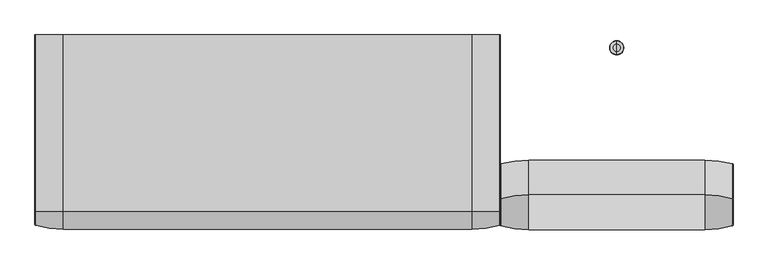
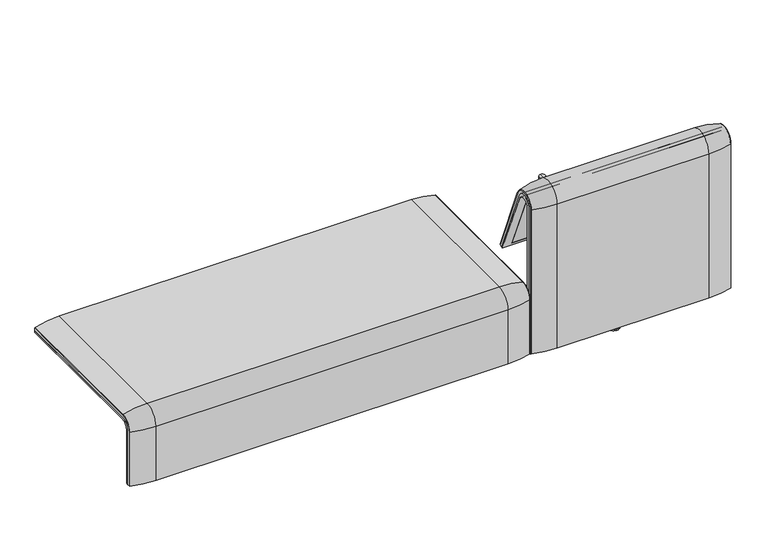
"""IFC4 building model written with IfcOpenShell, lengths in millimetres: furniture geometry."""

from ifc_helpers import new_model, si_unit, point, frame, frame_2d, origin, place, context, project, spatial, polyline, circle_curve, ellipse_curve, trimmed, segment, composite_curve, outline, extrude, source, transform, mapped, element, save
from ifc_brep_helpers import plane_surface, cylinder_surface, revolved_surface, advanced_brep


def furniture_2ecc197a(model_context):
    return source(origin(), model_context, "Body", "SolidModel", [
        advanced_brep(
        [(1224.0215056, -351.0000061, 101.8476716), (1224.0215056, -351.0000061, 712.9272623), (1224.0215056, -296.2720241, 723.9759107), (1224.0215056, -175.0204081, 435.9866665), (1224.0215056, -170.1966807, 437.98305), (1224.0215056, -292.4403877, 733.7122262), (1224.0215056, -359.7858817, 720.3417731), (1224.0215056, -359.7858817, 101.8476716), (408.0402568, -351.0000061, 101.8476716), (408.0402568, -359.7858817, 101.8476716), (408.0402568, -359.7858817, 720.3417731), (408.0402568, -292.4403877, 733.7122262), (408.0402568, -170.1966807, 437.98305), (408.0402568, -175.0204081, 435.9866665), (408.0402568, -296.2458652, 723.9869215), (408.0402568, -351.0000061, 712.9272623), (442.9237127, -292.4403877, 733.7122262), (442.9237127, -176.0980387, 452.25948), (1189.1049615, -176.0980387, 452.25948), (1189.1049615, -292.4403877, 733.7122262), (1189.1049615, -296.2458652, 723.9869215), (1189.1049615, -181.0136548, 450.2250668), (442.9237127, -181.0136548, 450.2250668), (442.9237127, -296.2458652, 723.9869215), (442.9237127, -351.0000061, 712.9272623), (442.9237127, -351.0000061, 135.3766997), (1189.1049615, -351.0000061, 135.3766997), (1189.1049615, -351.0000061, 712.9272623), (1189.1049615, -359.7858817, 720.3417731), (1189.1049615, -359.7858817, 135.3766997), (442.9237127, -359.7858817, 135.3766997), (442.9237127, -359.7858817, 720.3417731)],
        [
            (0, 1),
            (1, 2, circle_curve(frame((1224.0215056, -322.520748, 712.9272623), z_axis=(-1.0, 0.0, 0.0), x_axis=(0.0, 1.0, 0.0)), 28.479258)),
            (2, 3),
            (3, 4),
            (4, 5),
            (5, 6, circle_curve(frame((1224.0215056, -324.7858817, 720.3417731), z_axis=(1.0, 0.0, 0.0), x_axis=(0.0, 1.0, 0.0)), 35.0)),
            (6, 7),
            (7, 0),
            (8, 9),
            (9, 10),
            (10, 11, circle_curve(frame((408.0402568, -324.7858817, 720.3417731), z_axis=(-1.0, 0.0, 0.0), x_axis=(0.0, 1.0, 0.0)), 35.0)),
            (11, 12),
            (12, 13),
            (13, 14),
            (14, 15, circle_curve(frame((408.0402568, -322.520748, 712.9272623), z_axis=(1.0, 0.0, 0.0), x_axis=(0.0, 1.0, 0.0)), 28.479258)),
            (15, 8),
            (4, 12),
            (11, 16),
            (16, 17),
            (17, 18),
            (18, 19),
            (19, 5),
            (3, 13),
            (2, 20),
            (20, 21),
            (21, 22),
            (22, 23),
            (23, 14),
            (0, 8),
            (15, 24),
            (24, 25),
            (25, 26),
            (26, 27),
            (27, 1),
            (7, 9),
            (6, 28),
            (28, 29),
            (29, 30),
            (30, 31),
            (31, 10),
            (19, 28, circle_curve(frame((1189.1049615, -324.7858817, 720.3417731), z_axis=(1.0, 0.0, 0.0), x_axis=(0.0, 1.0, 0.0)), 35.0)),
            (31, 16, circle_curve(frame((442.9237127, -324.7858817, 720.3417731), z_axis=(-1.0, 0.0, 0.0), x_axis=(0.0, 1.0, 0.0)), 35.0)),
            (27, 20, circle_curve(frame((1189.1049615, -322.520748, 712.9272623), z_axis=(-1.0, 0.0, 0.0), x_axis=(0.0, 1.0, 0.0)), 28.479258)),
            (23, 24, circle_curve(frame((442.9237127, -322.520748, 712.9272623), z_axis=(1.0, 0.0, 0.0), x_axis=(0.0, 1.0, 0.0)), 28.479258)),
            (26, 29),
            (18, 21),
            (22, 17),
            (30, 25),
        ],
        [
            plane_surface(frame((1224.0215056, -359.7858817, 101.8476716), z_axis=(1.0, 0.0, 0.0), x_axis=(0.0, -1.0, 0.0))),
            plane_surface(frame((408.0402568, -359.7858817, 101.8476716), z_axis=(-1.0, 0.0, 0.0), x_axis=(0.0, 1.0, 0.0))),
            plane_surface(frame((1224.0215056, -292.4403877, 733.7122262), z_axis=(0.0, 0.9241569717933176, 0.3820129467515535), x_axis=(-1.0, 0.0, 0.0))),
            plane_surface(frame((1224.0215056, -170.1966807, 437.98305), z_axis=(0.0, 0.38241039441983893, -0.9239925812687368), x_axis=(-1.0, 0.0, 0.0))),
            plane_surface(frame((1224.0215056, -175.0204081, 435.9866665), z_axis=(0.0, -0.921678643444566, -0.3879542218073993), x_axis=(-1.0, 0.0, 0.0))),
            plane_surface(frame((1224.0215056, -351.0000061, 712.9272623), z_axis=(0.0, 1.0, 0.0), x_axis=(-1.0, 0.0, 0.0))),
            plane_surface(frame((1224.0215056, -351.0000061, 101.8476716), z_axis=(0.0, 0.0, -1.0), x_axis=(-1.0, 0.0, 0.0))),
            plane_surface(frame((1224.0215056, -359.7858817, 101.8476716), z_axis=(0.0, -1.0, 0.0), x_axis=(-1.0, 0.0, 0.0))),
            cylinder_surface(frame((408.0402568, -324.7858817, 720.3417731), z_axis=(1.0, 0.0, 0.0), x_axis=(0.0, 1.0, 0.0)), 35.0),
            revolved_surface(polyline([(1189.1049615, -294.04149, 712.9272623), (1224.0215056, -294.04149, 712.9272623)]), (408.0402568, -322.520748, 712.9272623), (-1.0, 0.0, 0.0)),
            revolved_surface(polyline([(408.0402568, -294.04149, 712.9272623), (442.9237127, -294.04149, 712.9272623)]), (408.0402568, -322.520748, 712.9272623), (-1.0, 0.0, 0.0)),
            plane_surface(frame((1189.1049615, -359.7858817, 135.3766997), z_axis=(-1.0, 0.0, 0.0), x_axis=(0.0, -1.0, 0.0))),
            plane_surface(frame((442.9237127, -359.7858817, 135.3766997), z_axis=(1.0, 0.0, 0.0), x_axis=(0.0, 1.0, 0.0))),
            plane_surface(frame((1189.1049615, -166.9120641, 456.0612553), z_axis=(0.0, -0.38241039441982605, 0.9239925812687422), x_axis=(-1.0, 0.0, 0.0))),
            plane_surface(frame((1189.1049615, -344.7858817, 135.3766997), z_axis=(0.0, 0.0, 1.0), x_axis=(-1.0, 0.0, 0.0))),
        ],
        [
            (0, [[1, 2, 3, 4, 5, 6, 7, 8]]),
            (1, [[9, 10, 11, 12, 13, 14, 15, 16]]),
            (2, [[17, -12, 18, 19, 20, 21, 22, -5]]),
            (3, [[23, -13, -17, -4]]),
            (4, [[24, 25, 26, 27, 28, -14, -23, -3]]),
            (5, [[29, -16, 30, 31, 32, 33, 34, -1]]),
            (6, [[35, -9, -29, -8]]),
            (7, [[36, 37, 38, 39, 40, -10, -35, -7]]),
            (8, [[-22, 41, -36, -6]]),
            (8, [[-40, 42, -18, -11]]),
            (9, [[-34, 43, -24, -2]]),
            (10, [[-28, 44, -30, -15]]),
            (11, [[-25, -43, -33, 45, -37, -41, -21, 46]]),
            (12, [[-31, -44, -27, 47, -19, -42, -39, 48]]),
            (13, [[-20, -47, -26, -46]]),
            (14, [[-32, -48, -38, -45]]),
        ],
    ),
        advanced_brep(
        [(1189.1049615, -351.0000061, 135.3766997), (1189.1049615, -351.0000061, 712.9272623), (1189.1049615, -296.2720241, 723.9759107), (1189.1049615, -181.0136548, 450.2250668), (1189.1049615, -176.0980387, 452.25948), (1189.1049615, -292.4403877, 733.7122262), (1189.1049615, -359.7858817, 720.3417731), (1189.1049615, -359.7858817, 135.3766997), (442.9237127, -351.0000061, 135.3766997), (442.9237127, -359.7858817, 135.3766997), (442.9237127, -359.7858817, 720.3417731), (442.9237127, -292.4403877, 733.7122262), (442.9237127, -176.0980387, 452.25948), (442.9237127, -181.0136548, 450.2250668), (442.9237127, -296.2458652, 723.9869215), (442.9237127, -351.0000061, 712.9272623)],
        [
            (0, 1),
            (1, 2, circle_curve(frame((1189.1049615, -322.520748, 712.9272623), z_axis=(-1.0, 0.0, 0.0), x_axis=(0.0, 1.0, 0.0)), 28.479258)),
            (2, 3),
            (3, 4),
            (4, 5),
            (5, 6, circle_curve(frame((1189.1049615, -324.7858817, 720.3417731), z_axis=(1.0, 0.0, 0.0), x_axis=(0.0, 1.0, 0.0)), 35.0)),
            (6, 7),
            (7, 0),
            (8, 9),
            (9, 10),
            (10, 11, circle_curve(frame((442.9237127, -324.7858817, 720.3417731), z_axis=(-1.0, 0.0, 0.0), x_axis=(0.0, 1.0, 0.0)), 35.0)),
            (11, 12),
            (12, 13),
            (13, 14),
            (14, 15, circle_curve(frame((442.9237127, -322.520748, 712.9272623), z_axis=(1.0, 0.0, 0.0), x_axis=(0.0, 1.0, 0.0)), 28.479258)),
            (15, 8),
            (4, 12),
            (11, 5),
            (3, 13),
            (2, 14),
            (0, 8),
            (15, 1),
            (7, 9),
            (6, 10),
        ],
        [
            plane_surface(frame((1189.1049615, -359.7858817, 135.3766997), z_axis=(1.0, 0.0, 0.0), x_axis=(0.0, -1.0, 0.0))),
            plane_surface(frame((442.9237127, -359.7858817, 135.3766997), z_axis=(-1.0, 0.0, 0.0), x_axis=(0.0, 1.0, 0.0))),
            plane_surface(frame((1189.1049615, -292.4403877, 733.7122262), z_axis=(0.0, 0.9241569717933176, 0.3820129467515535), x_axis=(-1.0, 0.0, 0.0))),
            plane_surface(frame((1189.1049615, -176.0980387, 452.25948), z_axis=(0.0, 0.38241039441982716, -0.9239925812687417), x_axis=(-1.0, 0.0, 0.0))),
            plane_surface(frame((1189.1049615, -181.0136548, 450.2250668), z_axis=(0.0, -0.921678643444566, -0.3879542218073993), x_axis=(-1.0, 0.0, 0.0))),
            plane_surface(frame((1189.1049615, -351.0000061, 712.9272623), z_axis=(0.0, 1.0, 0.0), x_axis=(-1.0, 0.0, 0.0))),
            plane_surface(frame((1189.1049615, -351.0000061, 135.3766997), z_axis=(0.0, 0.0, -1.0), x_axis=(-1.0, 0.0, 0.0))),
            plane_surface(frame((1189.1049615, -359.7858817, 135.3766997), z_axis=(0.0, -1.0, 0.0), x_axis=(-1.0, 0.0, 0.0))),
            cylinder_surface(frame((442.9237127, -324.7858817, 720.3417731), z_axis=(1.0, 0.0, 0.0), x_axis=(0.0, 1.0, 0.0)), 35.0),
            revolved_surface(polyline([(442.9237127, -294.04149, 712.9272623), (1189.1049615, -294.04149, 712.9272623)]), (442.9237127, -322.520748, 712.9272623), (-1.0, 0.0, 0.0)),
        ],
        [
            (0, [[1, 2, 3, 4, 5, 6, 7, 8]]),
            (1, [[9, 10, 11, 12, 13, 14, 15, 16]]),
            (2, [[17, -12, 18, -5]]),
            (3, [[19, -13, -17, -4]]),
            (4, [[20, -14, -19, -3]]),
            (5, [[21, -16, 22, -1]]),
            (6, [[23, -9, -21, -8]]),
            (7, [[24, -10, -23, -7]]),
            (8, [[-18, -11, -24, -6]]),
            (9, [[-22, -15, -20, -2]]),
        ],
    ),
        extrude(outline(composite_curve([segment(polyline([(-305.0000061, 349.9223263), (-285.0000061, 349.9223263)]), True, "CONTINUOUS"), segment(trimmed(circle_curve(frame_2d((-285.0000061, 359.9223263)), 10.0), [point((-285.0000061, 349.9223263))], [point((-275.0000061, 359.9223263))], True, "CARTESIAN"), True, "CONTINUOUS"), segment(polyline([(-275.0000061, 359.9223263), (-270.0000061, 359.9223263), (-270.0000061, 299.9223263), (-309.4476, 299.9223263)]), True, "CONTINUOUS"), segment(trimmed(circle_curve(frame_2d((-309.4476, 269.9223263)), 30.0), [point((-309.4476, 299.9223263))], [point((-339.4064861, 271.492405))], True, "CARTESIAN"), True, "CONTINUOUS"), segment(polyline([(-339.4064861, 271.492405), (-343.3075759, 197.0551771), (-351.0000061, 197.0551771), (-351.0000061, 712.9272623)]), True, "CONTINUOUS"), segment(trimmed(circle_curve(frame_2d((-322.520748, 712.9272623)), 28.479258), [point((-351.0000061, 712.9272623))], [point((-296.3054528, 724.0549949))], False, "CARTESIAN"), True, "CONTINUOUS"), segment(polyline([(-296.3054528, 724.0549949), (-213.7507451, 529.5682915), (-222.2725218, 526.5505721), (-238.0355877, 560.3545758)]), True, "CONTINUOUS"), segment(trimmed(circle_curve(frame_2d((-251.6302045, 554.0153019)), 15.0), [point((-238.0355877, 560.3545758))], [point((-257.4911714, 567.8228747))], True, "CARTESIAN"), True, "CONTINUOUS"), segment(polyline([(-257.4911714, 567.8228747), (-316.7219399, 542.6809051)]), True, "CONTINUOUS"), segment(trimmed(circle_curve(frame_2d((-305.0000061, 515.0657595)), 30.0), [point((-316.7219399, 542.6809051))], [point((-335.0000061, 515.0657595))], True, "CARTESIAN"), True, "CONTINUOUS"), segment(polyline([(-335.0000061, 515.0657595), (-335.0000061, 379.9223263)]), True, "CONTINUOUS"), segment(trimmed(circle_curve(frame_2d((-305.0000061, 379.9223263)), 30.0), [point((-335.0000061, 379.9223263))], [point((-305.0000061, 349.9223263))], True, "CARTESIAN"), True, "CONTINUOUS")], self_intersect=False), holes=[composite_curve([segment(trimmed(circle_curve(frame_2d((-319.9867182, 576.3274105)), 17.5132879), [point((-337.5000061, 576.3274105))], [point((-314.1406626, 559.8186587))], True, "CARTESIAN"), True, "CONTINUOUS"), segment(polyline([(-314.1406626, 559.8186587), (-265.0756376, 577.1934953)]), True, "CONTINUOUS"), segment(trimmed(circle_curve(frame_2d((-271.7517748, 596.0463251)), 20.0), [point((-265.0756376, 577.1934953))], [point((-253.6256191, 604.4986904))], True, "CARTESIAN"), True, "CONTINUOUS"), segment(polyline([(-253.6256191, 604.4986904), (-308.9053893, 723.0465402)]), True, "CONTINUOUS"), segment(trimmed(circle_curve(frame_2d((-322.5000061, 716.7072663)), 15.0), [point((-308.9053893, 723.0465402))], [point((-337.5000061, 716.7072663))], True, "CARTESIAN"), True, "CONTINUOUS"), segment(polyline([(-337.5000061, 716.7072663), (-337.5000061, 576.3274105)]), True, "CONTINUOUS")], self_intersect=False)]), frame((1061.0091339, 0.0, 0.0), z_axis=(1.0, 0.0, 0.0), x_axis=(0.0, 1.0, 0.0)), (0.0, 0.0, 1.0), 40.0),
        advanced_brep(
        [(1124.0215056, -388.2902376, 100.5089435), (508.0071685, -388.2902376, 100.5089435), (410.1457971, -373.93893, 100.5089435), (408.0071685, -371.0652495, 100.5089435), (408.0071685, -359.7858817, 100.5089435), (1224.0215056, -359.7858817, 100.5089435), (1224.0215056, -371.0652495, 100.5089435), (1221.8828771, -373.93893, 100.5089435), (1124.0215056, -388.2902376, 720.3417731), (508.0071685, -388.2902376, 720.3417731), (1221.8828771, -373.93893, 720.3417731), (1224.0215056, -371.0652495, 720.3417731), (1224.0215056, -359.7858817, 720.3417731), (1224.0215056, -292.4403877, 733.7122262), (1224.0215056, -170.1962447, 437.9819952), (1224.0215056, -159.7723383, 442.2908598), (1224.0215056, -282.0164812, 738.0210907), (408.0071685, -359.7858817, 720.3417731), (1124.0215056, -143.8537454, 448.8710282), (1221.8828771, -157.1166065, 443.3886429), (408.0071685, -170.1962447, 437.9819952), (408.0071685, -159.7723383, 442.2908598), (410.1457971, -157.1166065, 443.3886429), (508.0071685, -143.8537454, 448.8710282), (1124.0215056, -266.0978884, 744.6012592), (508.0071685, -266.0978884, 744.6012592), (1221.8828771, -279.3607494, 739.1188739), (408.0071685, -292.4403877, 733.7122262), (408.0071685, -371.0652495, 720.3417731), (408.0071685, -282.0164812, 738.0210907), (410.1457971, -373.93893, 720.3417731), (410.1457971, -279.3607494, 739.1188739)],
        [
            (0, 1),
            (1, 2, circle_curve(frame((508.0071685, -47.4569043, 100.5089435), z_axis=(0.0, 0.0, -1.0), x_axis=(0.0, 1.0, 0.0)), 340.8333333)),
            (2, 3, circle_curve(frame((411.0071685, -371.0652495, 100.5089435), z_axis=(0.0, 0.0, -1.0), x_axis=(-1.0, 0.0, 0.0)), 3.0)),
            (3, 4),
            (4, 5),
            (5, 6),
            (6, 7, circle_curve(frame((1221.0215056, -371.0652495, 100.5089435), z_axis=(0.0, 0.0, -1.0), x_axis=(1.0, 0.0, 0.0)), 3.0)),
            (7, 0, circle_curve(frame((1124.0215056, -47.4569043, 100.5089435), z_axis=(0.0, 0.0, -1.0), x_axis=(0.0, 1.0, 0.0)), 340.8333333)),
            (0, 8),
            (8, 9),
            (9, 1),
            (7, 10),
            (10, 8, circle_curve(frame((1124.0215056, -47.4569043, 720.3417731), z_axis=(0.0, 0.0, -1.0), x_axis=(0.0, 1.0, 0.0)), 340.8333333)),
            (6, 11),
            (11, 10, circle_curve(frame((1221.0215056, -371.0652495, 720.3417731), z_axis=(0.0, 0.0, -1.0), x_axis=(1.0, 0.0, 0.0)), 3.0)),
            (5, 12),
            (12, 13, circle_curve(frame((1224.0215056, -324.7858817, 720.3417731), z_axis=(-1.0, 0.0, 0.0), x_axis=(0.0, -1.0, 0.0)), 35.0)),
            (13, 14),
            (14, 15),
            (15, 16),
            (16, 11, circle_curve(frame((1224.0215056, -324.7858817, 720.3417731), z_axis=(1.0, 0.0, 0.0), x_axis=(0.0, -1.0, 0.0)), 46.2793679)),
            (4, 17),
            (17, 12),
            (18, 19, circle_curve(frame((1124.0215056, -458.8372467, 318.6682822), z_axis=(0.0, 0.38201294675155345, -0.9241569717933176), x_axis=(0.0, -0.9241569717933176, -0.38201294675155345)), 340.8333333)),
            (19, 15, circle_curve(frame((1221.0215056, -159.7723383, 442.2908598), z_axis=(0.0, 0.38201294675155345, -0.9241569717933176), x_axis=(1.0, 0.0, 0.0)), 3.0)),
            (14, 20),
            (20, 21),
            (21, 22, circle_curve(frame((411.0071685, -159.7723383, 442.2908598), z_axis=(0.0, 0.38201294675155345, -0.9241569717933176), x_axis=(-1.0, 0.0, 0.0)), 3.0)),
            (22, 23, circle_curve(frame((508.0071685, -458.8372467, 318.6682822), z_axis=(0.0, 0.38201294675155345, -0.9241569717933176), x_axis=(0.0, -0.9241569717933176, -0.38201294675155345)), 340.8333333)),
            (23, 18),
            (24, 25),
            (25, 9, circle_curve(frame((508.0071685, -324.7858817, 720.3417731), z_axis=(1.0, 0.0, 0.0), x_axis=(0.0, -1.0, 0.0)), 63.5043559)),
            (8, 24, circle_curve(frame((1124.0215056, -324.7858817, 720.3417731), z_axis=(-1.0, 0.0, 0.0), x_axis=(0.0, -1.0, 0.0)), 63.5043559)),
            (26, 24, circle_curve(frame((1124.0215056, -581.0813896, 614.3985132), z_axis=(0.0, -0.3820129467515544, 0.9241569717933172), x_axis=(0.0, -0.9241569717933172, -0.3820129467515544)), 340.8333333)),
            (10, 26, circle_curve(frame((1221.8828771, -324.7858817, 720.3417731), z_axis=(-1.0, 0.0, 0.0), x_axis=(0.0, -1.0, 0.0)), 49.1530483)),
            (16, 26, circle_curve(frame((1221.0215056, -282.0164812, 738.0210907), z_axis=(0.0, -0.38201294675155356, 0.9241569717933176), x_axis=(1.0, 0.0, 0.0)), 3.0)),
            (27, 13),
            (17, 27, circle_curve(frame((408.0071685, -324.7858817, 720.3417731), z_axis=(-1.0, 0.0, 0.0), x_axis=(0.0, -1.0, 0.0)), 35.0)),
            (24, 18),
            (23, 25),
            (26, 19),
            (27, 20),
            (3, 28),
            (28, 29, circle_curve(frame((408.0071685, -324.7858817, 720.3417731), z_axis=(-1.0, 0.0, 0.0), x_axis=(0.0, -1.0, 0.0)), 46.2793679)),
            (29, 21),
            (2, 30),
            (30, 28, circle_curve(frame((411.0071685, -371.0652495, 720.3417731), z_axis=(0.0, 0.0, -1.0), x_axis=(-1.0, 0.0, 0.0)), 3.0)),
            (9, 30, circle_curve(frame((508.0071685, -47.4569043, 720.3417731), z_axis=(0.0, 0.0, -1.0), x_axis=(0.0, 1.0, 0.0)), 340.8333333)),
            (31, 29, circle_curve(frame((411.0071685, -282.0164812, 738.0210907), z_axis=(0.0, -0.3820129467515556, 0.9241569717933167), x_axis=(-1.0, 0.0, 0.0)), 3.0)),
            (30, 31, circle_curve(frame((410.1457971, -324.7858817, 720.3417731), z_axis=(-1.0, 0.0, 0.0), x_axis=(0.0, -1.0, 0.0)), 49.1530483)),
            (25, 31, circle_curve(frame((508.0071685, -581.0813896, 614.3985132), z_axis=(0.0, -0.382012946751556, 0.9241569717933165), x_axis=(0.0, -0.9241569717933165, -0.382012946751556)), 340.8333333)),
            (31, 22),
        ],
        [
            plane_surface(frame((820.7793603, -359.7858817, 100.5089435), z_axis=(0.0, 0.0, -1.0), x_axis=(1.0, 0.0, 0.0))),
            plane_surface(frame((508.0071685, -388.2902376, 100.5089435), z_axis=(0.0, -1.0, 0.0), x_axis=(0.0, 0.0, 1.0))),
            cylinder_surface(frame((1124.0215056, -47.4569043, 100.5089435), z_axis=(0.0, 0.0, -1.0), x_axis=(0.0, 1.0, 0.0)), 340.8333333),
            cylinder_surface(frame((1221.0215056, -371.0652495, 100.5089435), z_axis=(0.0, 0.0, -1.0), x_axis=(1.0, 0.0, 0.0)), 3.0),
            plane_surface(frame((1224.0215056, -371.0652495, 100.5089435), z_axis=(1.0, 0.0, 0.0), x_axis=(0.0, 0.0, 1.0))),
            plane_surface(frame((1224.0215056, -359.7858817, 100.5089435), z_axis=(0.0, 1.0, 0.0), x_axis=(0.0, 0.0, 1.0))),
            plane_surface(frame((820.7793603, -170.1962447, 437.9819952), z_axis=(0.0, 0.38201294675155345, -0.9241569717933176), x_axis=(1.0, 0.0, 0.0))),
            cylinder_surface(frame((820.7793603, -324.7858817, 720.3417731), z_axis=(1.0, 0.0, 0.0), x_axis=(0.0, -1.0, 0.0)), 63.5043559),
            revolved_surface(trimmed(ellipse_curve(frame((1124.0215056, -47.4569043, 720.3417731), z_axis=(0.0, 0.0, 1.0), x_axis=(0.0, 1.0, 0.0)), 340.8333333, 340.8333333), [point((1124.0215056, -388.2902376, 720.3417731))], [point((1221.8828771, -373.93893, 720.3417731))], True, "CARTESIAN"), (820.7793603, -324.7858817, 720.3417731), (1.0, 0.0, 0.0)),
            revolved_surface(trimmed(ellipse_curve(frame((1221.0215056, -371.0652495, 720.3417731), z_axis=(0.0, 0.0, 1.0), x_axis=(1.0, 0.0, 0.0)), 3.0, 3.0), [point((1221.8828771, -373.93893, 720.3417731))], [point((1224.0215056, -371.0652495, 720.3417731))], True, "CARTESIAN"), (820.7793603, -324.7858817, 720.3417731), (1.0, 0.0, 0.0)),
            revolved_surface(polyline([(1224.0215056, -359.7858817, 720.3417731), (408.0071685, -359.7858817, 720.3417731)]), (820.7793603, -324.7858817, 720.3417731), (1.0, 0.0, 0.0)),
            plane_surface(frame((508.0071685, -266.0978884, 744.6012592), z_axis=(0.0, 0.9241569717933176, 0.38201294675155356), x_axis=(0.0, 0.38201294675155356, -0.9241569717933176))),
            cylinder_surface(frame((1124.0215056, -581.0813896, 614.3985132), z_axis=(0.0, -0.38201294675155345, 0.9241569717933176), x_axis=(0.0, -0.9241569717933176, -0.38201294675155345)), 340.8333333),
            cylinder_surface(frame((1221.0215056, -282.0164812, 738.0210907), z_axis=(0.0, -0.38201294675155345, 0.9241569717933176), x_axis=(1.0, 0.0, 0.0)), 3.0),
            plane_surface(frame((1224.0215056, -292.4403877, 733.7122262), z_axis=(0.0, -0.9241569717933176, -0.38201294675155356), x_axis=(0.0, 0.38201294675155356, -0.9241569717933176))),
            plane_surface(frame((408.0071685, -359.7858817, 100.5089435), z_axis=(-1.0, 0.0, 0.0), x_axis=(0.0, 0.0, 1.0))),
            cylinder_surface(frame((411.0071685, -371.0652495, 100.5089435), z_axis=(0.0, 0.0, -1.0), x_axis=(-1.0, 0.0, 0.0)), 3.0),
            cylinder_surface(frame((508.0071685, -47.4569043, 100.5089435), z_axis=(0.0, 0.0, -1.0), x_axis=(0.0, 1.0, 0.0)), 340.8333333),
            revolved_surface(trimmed(ellipse_curve(frame((411.0071685, -371.0652495, 720.3417731), z_axis=(0.0, 0.0, 1.0), x_axis=(-1.0, 0.0, 0.0)), 3.0, 3.0), [point((408.0071685, -371.0652495, 720.3417731))], [point((410.1457971, -373.93893, 720.3417731))], True, "CARTESIAN"), (820.7793603, -324.7858817, 720.3417731), (1.0, 0.0, 0.0)),
            revolved_surface(trimmed(ellipse_curve(frame((508.0071685, -47.4569043, 720.3417731), z_axis=(0.0, 0.0, 1.0), x_axis=(0.0, 1.0, 0.0)), 340.8333333, 340.8333333), [point((410.1457971, -373.93893, 720.3417731))], [point((508.0071685, -388.2902376, 720.3417731))], True, "CARTESIAN"), (820.7793603, -324.7858817, 720.3417731), (1.0, 0.0, 0.0)),
            cylinder_surface(frame((411.0071685, -282.0164812, 738.0210907), z_axis=(0.0, -0.38201294675155345, 0.9241569717933176), x_axis=(-1.0, 0.0, 0.0)), 3.0),
            cylinder_surface(frame((508.0071685, -581.0813896, 614.3985132), z_axis=(0.0, -0.38201294675155345, 0.9241569717933176), x_axis=(0.0, -0.9241569717933176, -0.38201294675155345)), 340.8333333),
        ],
        [
            (0, [[1, 2, 3, 4, 5, 6, 7, 8]]),
            (1, [[9, 10, 11, -1]]),
            (2, [[12, 13, -9, -8]]),
            (3, [[14, 15, -12, -7]]),
            (4, [[16, 17, 18, 19, 20, 21, -14, -6]]),
            (5, [[22, 23, -16, -5]]),
            (6, [[24, 25, -19, 26, 27, 28, 29, 30]]),
            (7, [[31, 32, -10, 33]]),
            (8, [[34, -33, -13, 35]]),
            (9, [[36, -35, -15, -21]]),
            (10, [[37, -17, -23, 38]]),
            (11, [[39, -30, 40, -31]]),
            (12, [[41, -24, -39, -34]]),
            (13, [[-20, -25, -41, -36]]),
            (14, [[42, -26, -18, -37]]),
            (15, [[43, 44, 45, -27, -42, -38, -22, -4]]),
            (16, [[46, 47, -43, -3]]),
            (17, [[-11, 48, -46, -2]]),
            (18, [[49, -44, -47, 50]]),
            (19, [[51, -50, -48, -32]]),
            (20, [[52, -28, -45, -49]]),
            (21, [[-40, -29, -52, -51]]),
        ],
    ),
        extrude(outline(composite_curve([segment(polyline([(-305.0000061, 349.9223263), (-285.0000061, 349.9223263)]), True, "CONTINUOUS"), segment(trimmed(circle_curve(frame_2d((-285.0000061, 359.9223263)), 10.0), [point((-285.0000061, 349.9223263))], [point((-275.0000061, 359.9223263))], True, "CARTESIAN"), True, "CONTINUOUS"), segment(polyline([(-275.0000061, 359.9223263), (-270.0000061, 359.9223263), (-270.0000061, 299.9223263), (-309.4476, 299.9223263)]), True, "CONTINUOUS"), segment(trimmed(circle_curve(frame_2d((-309.4476, 269.9223263)), 30.0), [point((-309.4476, 299.9223263))], [point((-339.4064861, 271.492405))], True, "CARTESIAN"), True, "CONTINUOUS"), segment(polyline([(-339.4064861, 271.492405), (-343.3075759, 197.0551771), (-351.0000061, 197.0551771), (-351.0000061, 712.9272623)]), True, "CONTINUOUS"), segment(trimmed(circle_curve(frame_2d((-322.520748, 712.9272623)), 28.479258), [point((-351.0000061, 712.9272623))], [point((-296.3054528, 724.0549949))], False, "CARTESIAN"), True, "CONTINUOUS"), segment(polyline([(-296.3054528, 724.0549949), (-213.7507451, 529.5682915), (-222.2725218, 526.5505721), (-238.0355877, 560.3545758)]), True, "CONTINUOUS"), segment(trimmed(circle_curve(frame_2d((-251.6302045, 554.0153019)), 15.0), [point((-238.0355877, 560.3545758))], [point((-257.4911714, 567.8228747))], True, "CARTESIAN"), True, "CONTINUOUS"), segment(polyline([(-257.4911714, 567.8228747), (-316.7219399, 542.6809051)]), True, "CONTINUOUS"), segment(trimmed(circle_curve(frame_2d((-305.0000061, 515.0657595)), 30.0), [point((-316.7219399, 542.6809051))], [point((-335.0000061, 515.0657595))], True, "CARTESIAN"), True, "CONTINUOUS"), segment(polyline([(-335.0000061, 515.0657595), (-335.0000061, 379.9223263)]), True, "CONTINUOUS"), segment(trimmed(circle_curve(frame_2d((-305.0000061, 379.9223263)), 30.0), [point((-335.0000061, 379.9223263))], [point((-305.0000061, 349.9223263))], True, "CARTESIAN"), True, "CONTINUOUS")], self_intersect=False), holes=[composite_curve([segment(trimmed(circle_curve(frame_2d((-319.9867182, 576.3274105)), 17.5132879), [point((-337.5000061, 576.3274105))], [point((-314.1406626, 559.8186587))], True, "CARTESIAN"), True, "CONTINUOUS"), segment(polyline([(-314.1406626, 559.8186587), (-265.0756376, 577.1934953)]), True, "CONTINUOUS"), segment(trimmed(circle_curve(frame_2d((-271.7517748, 596.0463251)), 20.0), [point((-265.0756376, 577.1934953))], [point((-253.6256191, 604.4986904))], True, "CARTESIAN"), True, "CONTINUOUS"), segment(polyline([(-253.6256191, 604.4986904), (-308.9053893, 723.0465402)]), True, "CONTINUOUS"), segment(trimmed(circle_curve(frame_2d((-322.5000061, 716.7072663)), 15.0), [point((-308.9053893, 723.0465402))], [point((-337.5000061, 716.7072663))], True, "CARTESIAN"), True, "CONTINUOUS"), segment(polyline([(-337.5000061, 716.7072663), (-337.5000061, 576.3274105)]), True, "CONTINUOUS")], self_intersect=False)]), frame((531.0195403, 0.0, 0.0), z_axis=(1.0, 0.0, 0.0), x_axis=(0.0, 1.0, 0.0)), (0.0, 0.0, 1.0), 40.0),
        advanced_brep(
        [(-1223.9718733, 295.0, 359.922434), (-1223.9718733, -323.7517936, 359.922434), (-1223.9718733, -351.0, 332.6742277), (-1223.9718733, -351.0, 100.5089435), (-1223.9718733, -357.5, 100.5089435), (-1223.9718733, -357.5, 333.0583003), (-1223.9718733, -324.3858663, 366.172434), (-1223.9718733, 295.0, 366.172434), (407.9906244, 295.0, 359.922434), (407.9906244, 295.0, 366.172434), (407.9906244, -324.3858663, 366.172434), (407.9906244, -357.5, 333.0583003), (407.9906244, -357.5, 100.5089435), (407.9906244, -351.0, 100.5089435), (407.9906244, -351.0, 332.6742277), (407.9906244, -323.7517936, 359.922434), (-1189.0718733, -324.3858663, 366.172434), (-1189.0718733, 260.0, 366.172434), (373.0906244, 260.0, 366.172434), (373.0906244, -324.3858663, 366.172434), (-1189.0718733, -357.5, 333.0583003), (373.0906244, -357.5, 333.0583003), (373.0906244, -357.5, 135.3766997), (-1189.0718733, -357.5, 135.3766997), (-1189.0718733, -351.0, 332.6742277), (-1189.0718733, -351.0, 135.3766997), (373.0906244, -351.0, 135.3766997), (373.0906244, -351.0, 332.6742277), (-1189.0718733, -323.7517936, 359.922434), (373.0906244, -323.7517936, 359.922434), (373.0906244, 260.0, 359.922434), (-1189.0718733, 260.0, 359.922434)],
        [
            (0, 1),
            (1, 2, circle_curve(frame((-1223.9718733, -323.7517936, 332.6742277), z_axis=(1.0, 0.0, 0.0), x_axis=(0.0, -1.0, 0.0)), 27.2482064)),
            (2, 3),
            (3, 4),
            (4, 5),
            (5, 6, circle_curve(frame((-1223.9718733, -324.3858663, 333.0583003), z_axis=(-1.0, 0.0, 0.0), x_axis=(0.0, -1.0, 0.0)), 33.1141337)),
            (6, 7),
            (7, 0),
            (8, 9),
            (9, 10),
            (10, 11, circle_curve(frame((407.9906244, -324.3858663, 333.0583003), z_axis=(1.0, 0.0, 0.0), x_axis=(0.0, -1.0, 0.0)), 33.1141337)),
            (11, 12),
            (12, 13),
            (13, 14),
            (14, 15, circle_curve(frame((407.9906244, -323.7517936, 332.6742277), z_axis=(-1.0, 0.0, 0.0), x_axis=(0.0, -1.0, 0.0)), 27.2482064)),
            (15, 8),
            (7, 9),
            (8, 0),
            (6, 16),
            (16, 17),
            (17, 18),
            (18, 19),
            (19, 10),
            (5, 20),
            (20, 16, circle_curve(frame((-1189.0718733, -324.3858663, 333.0583003), z_axis=(-1.0, 0.0, 0.0), x_axis=(0.0, -1.0, 0.0)), 33.1141337)),
            (19, 21, circle_curve(frame((373.0906244, -324.3858663, 333.0583003), z_axis=(1.0, 0.0, 0.0), x_axis=(0.0, -1.0, 0.0)), 33.1141337)),
            (21, 11),
            (4, 12),
            (21, 22),
            (22, 23),
            (23, 20),
            (3, 13),
            (2, 24),
            (24, 25),
            (25, 26),
            (26, 27),
            (27, 14),
            (1, 28),
            (28, 24, circle_curve(frame((-1189.0718733, -323.7517936, 332.6742277), z_axis=(1.0, 0.0, 0.0), x_axis=(0.0, -1.0, 0.0)), 27.2482064)),
            (27, 29, circle_curve(frame((373.0906244, -323.7517936, 332.6742277), z_axis=(-1.0, 0.0, 0.0), x_axis=(0.0, -1.0, 0.0)), 27.2482064)),
            (29, 15),
            (29, 30),
            (30, 31),
            (31, 28),
            (31, 17),
            (23, 25),
            (26, 22),
            (18, 30),
        ],
        [
            plane_surface(frame((-1223.9718733, -296.9265415, 359.922434), z_axis=(-1.0, 0.0, 0.0), x_axis=(0.0, -1.0, 0.0))),
            plane_surface(frame((407.9906244, -296.9265415, 359.922434), z_axis=(1.0, 0.0, 0.0), x_axis=(0.0, 1.0, 0.0))),
            plane_surface(frame((-1223.9718733, 295.0, 366.172434), z_axis=(0.0, 1.0, 0.0), x_axis=(1.0, 0.0, 0.0))),
            plane_surface(frame((-1223.9718733, -324.3858663, 366.172434), z_axis=(0.0, 0.0, 1.0), x_axis=(1.0, 0.0, 0.0))),
            cylinder_surface(frame((407.9906244, -324.3858663, 333.0583003), z_axis=(-1.0, 0.0, 0.0), x_axis=(0.0, -1.0, 0.0)), 33.1141337),
            plane_surface(frame((-1223.9718733, -357.5, 100.5089435), z_axis=(0.0, -1.0, 0.0), x_axis=(1.0, 0.0, 0.0))),
            plane_surface(frame((-1223.9718733, -351.0, 100.5089435), z_axis=(0.0, 0.0, -1.0), x_axis=(1.0, 0.0, 0.0))),
            plane_surface(frame((-1223.9718733, -351.0, 332.6742277), z_axis=(0.0, 1.0, 0.0), x_axis=(1.0, 0.0, 0.0))),
            revolved_surface(polyline([(-1189.0718733000003, -351.0, 332.6742277), (-1223.9718733, -351.0, 332.6742277)]), (407.9906244, -323.7517936, 332.6742277), (1.0, 0.0, 0.0)),
            revolved_surface(polyline([(407.9906244, -351.0, 332.6742277), (373.0906244, -351.0, 332.6742277)]), (407.9906244, -323.7517936, 332.6742277), (1.0, 0.0, 0.0)),
            plane_surface(frame((-1223.9718733, 295.0, 359.922434), z_axis=(0.0, 0.0, -1.0), x_axis=(1.0, 0.0, 0.0))),
            plane_surface(frame((-1189.0718733, -296.9265415, 359.922434), z_axis=(1.0, 0.0, 0.0), x_axis=(0.0, -1.0, 0.0))),
            plane_surface(frame((373.0906244, -296.9265415, 359.922434), z_axis=(-1.0, 0.0, 0.0), x_axis=(0.0, 1.0, 0.0))),
            plane_surface(frame((-1189.0718733, 260.0, 366.172434), z_axis=(0.0, -1.0, 0.0), x_axis=(1.0, 0.0, 0.0))),
            plane_surface(frame((-1189.0718733, -351.0, 135.3766997), z_axis=(0.0, 0.0, 1.0), x_axis=(1.0, 0.0, 0.0))),
        ],
        [
            (0, [[1, 2, 3, 4, 5, 6, 7, 8]]),
            (1, [[9, 10, 11, 12, 13, 14, 15, 16]]),
            (2, [[-8, 17, -9, 18]]),
            (3, [[-7, 19, 20, 21, 22, 23, -10, -17]]),
            (4, [[-6, 24, 25, -19]]),
            (4, [[-11, -23, 26, 27]]),
            (5, [[-5, 28, -12, -27, 29, 30, 31, -24]]),
            (6, [[-4, 32, -13, -28]]),
            (7, [[-3, 33, 34, 35, 36, 37, -14, -32]]),
            (8, [[-2, 38, 39, -33]]),
            (9, [[-15, -37, 40, 41]]),
            (10, [[-1, -18, -16, -41, 42, 43, 44, -38]]),
            (11, [[45, -20, -25, -31, 46, -34, -39, -44]]),
            (12, [[47, -29, -26, -22, 48, -42, -40, -36]]),
            (13, [[-45, -43, -48, -21]]),
            (14, [[-46, -30, -47, -35]]),
        ],
    ),
        extrude(outline(composite_curve([segment(polyline([(260.0, 359.922434), (-323.7517936, 359.922434)]), True, "CONTINUOUS"), segment(trimmed(circle_curve(frame_2d((-323.7517936, 332.6742277)), 27.2482064), [point((-323.7517936, 359.922434))], [point((-351.0, 332.6742277))], True, "CARTESIAN"), True, "CONTINUOUS"), segment(polyline([(-351.0, 332.6742277), (-351.0, 135.3766997), (-357.5, 135.3766997), (-357.5, 333.0583003)]), True, "CONTINUOUS"), segment(trimmed(circle_curve(frame_2d((-324.3858663, 333.0583003)), 33.1141337), [point((-357.5, 333.0583003))], [point((-324.3858663, 366.172434))], False, "CARTESIAN"), True, "CONTINUOUS"), segment(polyline([(-324.3858663, 366.172434), (260.0, 366.172434), (260.0, 359.922434)]), True, "CONTINUOUS")], self_intersect=False)), frame((-1189.0718733, 0.0, 0.0), z_axis=(1.0, 0.0, 0.0), x_axis=(0.0, 1.0, 0.0)), (0.0, 0.0, 1.0), 1562.1624977),
        advanced_brep(
        [(-1223.9718733, -368.7793679, 100.5089435), (-1223.9718733, -357.5, 100.5089435), (407.9906244, -357.5, 100.5089435), (407.9906244, -368.7793679, 100.5089435), (405.8519959, -371.6530483, 100.5089435), (307.9906244, -386.0043559, 100.5089435), (-1123.9718733, -386.0043559, 100.5089435), (-1221.8332448, -371.6530483, 100.5089435), (-1223.9718733, 295.0, 377.4518019), (-1221.8332448, 295.0, 380.3254823), (-1123.9718733, 295.0, 394.67679), (307.9906244, 295.0, 394.67679), (405.8519959, 295.0, 380.3254823), (407.9906244, 295.0, 377.4518019), (407.9906244, 295.0, 366.172434), (-1223.9718733, 295.0, 366.172434), (-1223.9718733, -368.7793679, 333.0583003), (-1223.9718733, -324.3858663, 377.4518019), (-1223.9718733, -324.3858663, 366.172434), (-1223.9718733, -357.5, 333.0583003), (407.9906244, -357.5, 333.0583003), (307.9906244, -386.0043559, 333.0583003), (-1123.9718733, -386.0043559, 333.0583003), (-1221.8332448, -371.6530483, 333.0583003), (407.9906244, -324.3858663, 366.172434), (-1123.9718733, -324.3858663, 394.67679), (307.9906244, -324.3858663, 394.67679), (-1221.8332448, -324.3858663, 380.3254823), (407.9906244, -324.3858663, 377.4518019), (407.9906244, -368.7793679, 333.0583003), (405.8519959, -371.6530483, 333.0583003), (405.8519959, -324.3858663, 380.3254823)],
        [
            (0, 1),
            (1, 2),
            (2, 3),
            (3, 4, circle_curve(frame((404.9906244, -368.7793679, 100.5089435), z_axis=(0.0, 0.0, -1.0), x_axis=(-1.0, 0.0, 0.0)), 3.0)),
            (4, 5, circle_curve(frame((307.9906244, -45.1710226, 100.5089435), z_axis=(0.0, 0.0, -1.0), x_axis=(0.0, 1.0, 0.0)), 340.8333333)),
            (5, 6),
            (6, 7, circle_curve(frame((-1123.9718733, -45.1710226, 100.5089435), z_axis=(0.0, 0.0, -1.0), x_axis=(0.0, 1.0, 0.0)), 340.8333333)),
            (7, 0, circle_curve(frame((-1220.9718733, -368.7793679, 100.5089435), z_axis=(0.0, 0.0, -1.0), x_axis=(1.0, 0.0, 0.0)), 3.0)),
            (8, 9, circle_curve(frame((-1220.9718733, 295.0, 377.4518019), z_axis=(0.0, 1.0, 0.0), x_axis=(1.0, 0.0, 0.0)), 3.0)),
            (9, 10, circle_curve(frame((-1123.9718733, 295.0, 53.8434566), z_axis=(0.0, 1.0, 0.0), x_axis=(0.0, 0.0, -1.0)), 340.8333333)),
            (10, 11),
            (11, 12, circle_curve(frame((307.9906244, 295.0, 53.8434566), z_axis=(0.0, 1.0, 0.0), x_axis=(0.0, 0.0, -1.0)), 340.8333333)),
            (12, 13, circle_curve(frame((404.9906244, 295.0, 377.4518019), z_axis=(0.0, 1.0, 0.0), x_axis=(-1.0, 0.0, 0.0)), 3.0)),
            (13, 14),
            (14, 15),
            (15, 8),
            (0, 16),
            (16, 17, circle_curve(frame((-1223.9718733, -324.3858663, 333.0583003), z_axis=(-1.0, 0.0, 0.0), x_axis=(0.0, -1.0, 0.0)), 44.3935016)),
            (17, 8),
            (15, 18),
            (18, 19, circle_curve(frame((-1223.9718733, -324.3858663, 333.0583003), z_axis=(1.0, 0.0, 0.0), x_axis=(0.0, -1.0, 0.0)), 33.1141337)),
            (19, 1),
            (19, 20),
            (20, 2),
            (5, 21),
            (21, 22),
            (22, 6),
            (22, 23, circle_curve(frame((-1123.9718733, -45.1710226, 333.0583003), z_axis=(0.0, 0.0, -1.0), x_axis=(0.0, 1.0, 0.0)), 340.8333333)),
            (23, 7),
            (23, 16, circle_curve(frame((-1220.9718733, -368.7793679, 333.0583003), z_axis=(0.0, 0.0, -1.0), x_axis=(1.0, 0.0, 0.0)), 3.0)),
            (24, 20, circle_curve(frame((407.9906244, -324.3858663, 333.0583003), z_axis=(1.0, 0.0, 0.0), x_axis=(0.0, -1.0, 0.0)), 33.1141337)),
            (18, 24),
            (25, 22, circle_curve(frame((-1123.9718733, -324.3858663, 333.0583003), z_axis=(1.0, 0.0, 0.0), x_axis=(0.0, -1.0, 0.0)), 61.6184897)),
            (21, 26, circle_curve(frame((307.9906244, -324.3858663, 333.0583003), z_axis=(-1.0, 0.0, 0.0), x_axis=(0.0, -1.0, 0.0)), 61.6184897)),
            (26, 25),
            (27, 23, circle_curve(frame((-1221.8332448, -324.3858663, 333.0583003), z_axis=(1.0, 0.0, 0.0), x_axis=(0.0, -1.0, 0.0)), 47.267182)),
            (25, 27, circle_curve(frame((-1123.9718733, -324.3858663, 53.8434566), z_axis=(0.0, -1.0, 0.0), x_axis=(0.0, 0.0, -1.0)), 340.8333333)),
            (27, 17, circle_curve(frame((-1220.9718733, -324.3858663, 377.4518019), z_axis=(0.0, -1.0, 0.0), x_axis=(1.0, 0.0, 0.0)), 3.0)),
            (14, 24),
            (26, 11),
            (10, 25),
            (9, 27),
            (13, 28),
            (28, 29, circle_curve(frame((407.9906244, -324.3858663, 333.0583003), z_axis=(1.0, 0.0, 0.0), x_axis=(0.0, -1.0, 0.0)), 44.3935016)),
            (29, 3),
            (29, 30, circle_curve(frame((404.9906244, -368.7793679, 333.0583003), z_axis=(0.0, 0.0, -1.0), x_axis=(-1.0, 0.0, 0.0)), 3.0)),
            (30, 4),
            (30, 21, circle_curve(frame((307.9906244, -45.1710226, 333.0583003), z_axis=(0.0, 0.0, -1.0), x_axis=(0.0, 1.0, 0.0)), 340.8333333)),
            (31, 30, circle_curve(frame((405.8519959, -324.3858663, 333.0583003), z_axis=(1.0, 0.0, 0.0), x_axis=(0.0, -1.0, 0.0)), 47.267182)),
            (28, 31, circle_curve(frame((404.9906244, -324.3858663, 377.4518019), z_axis=(0.0, -1.0, 0.0), x_axis=(-1.0, 0.0, 0.0)), 3.0)),
            (31, 26, circle_curve(frame((307.9906244, -324.3858663, 53.8434566), z_axis=(0.0, -1.0, 0.0), x_axis=(0.0, 0.0, -1.0)), 340.8333333)),
            (12, 31),
        ],
        [
            plane_surface(frame((-1223.9718733, -357.5, 100.5089435), z_axis=(0.0, 0.0, -1.0), x_axis=(1.0, 0.0, 0.0))),
            plane_surface(frame((-1223.9718733, 295.0, 366.172434), z_axis=(0.0, 1.0, 0.0), x_axis=(1.0, 0.0, 0.0))),
            plane_surface(frame((-1223.9718733, -368.7793679, 100.5089435), z_axis=(-1.0, 0.0, 0.0), x_axis=(0.0, 0.0, 1.0))),
            plane_surface(frame((-1223.9718733, -357.5, 100.5089435), z_axis=(0.0, 1.0, 0.0), x_axis=(0.0, 0.0, 1.0))),
            plane_surface(frame((307.9906244, -386.0043559, 100.5089435), z_axis=(0.0, -1.0, 0.0), x_axis=(0.0, 0.0, 1.0))),
            cylinder_surface(frame((-1123.9718733, -45.1710226, 100.5089435), z_axis=(0.0, 0.0, -1.0), x_axis=(0.0, 1.0, 0.0)), 340.8333333),
            cylinder_surface(frame((-1220.9718733, -368.7793679, 100.5089435), z_axis=(0.0, 0.0, -1.0), x_axis=(1.0, 0.0, 0.0)), 3.0),
            revolved_surface(polyline([(-1223.9718733, -357.5, 333.0583003), (407.9906243999999, -357.5, 333.0583003)]), (-1223.9718733, -324.3858663, 333.0583003), (-1.0, 0.0, 0.0)),
            cylinder_surface(frame((-1223.9718733, -324.3858663, 333.0583003), z_axis=(-1.0, 0.0, 0.0), x_axis=(0.0, -1.0, 0.0)), 61.6184897),
            revolved_surface(trimmed(ellipse_curve(frame((-1123.9718733, -45.1710226, 333.0583003), z_axis=(0.0, 0.0, -1.0), x_axis=(0.0, 1.0, 0.0)), 340.8333333, 340.8333333), [point((-1123.9718733, -386.0043559, 333.0583003))], [point((-1221.8332448, -371.6530483, 333.0583003))], True, "CARTESIAN"), (-1223.9718733, -324.3858663, 333.0583003), (-1.0, 0.0, 0.0)),
            revolved_surface(trimmed(ellipse_curve(frame((-1220.9718733, -368.7793679, 333.0583003), z_axis=(0.0, 0.0, -1.0), x_axis=(1.0, 0.0, 0.0)), 3.0, 3.0), [point((-1221.8332448, -371.6530483, 333.0583003))], [point((-1223.9718733, -368.7793679, 333.0583003))], True, "CARTESIAN"), (-1223.9718733, -324.3858663, 333.0583003), (-1.0, 0.0, 0.0)),
            plane_surface(frame((-1223.9718733, -324.3858663, 366.172434), z_axis=(0.0, 0.0, -1.0), x_axis=(0.0, 1.0, 0.0))),
            plane_surface(frame((307.9906244, -324.3858663, 394.67679), z_axis=(0.0, 0.0, 1.0), x_axis=(0.0, 1.0, 0.0))),
            cylinder_surface(frame((-1123.9718733, -324.3858663, 53.8434566), z_axis=(0.0, -1.0, 0.0), x_axis=(0.0, 0.0, -1.0)), 340.8333333),
            cylinder_surface(frame((-1220.9718733, -324.3858663, 377.4518019), z_axis=(0.0, -1.0, 0.0), x_axis=(1.0, 0.0, 0.0)), 3.0),
            plane_surface(frame((407.9906244, -357.5, 100.5089435), z_axis=(1.0, 0.0, 0.0), x_axis=(0.0, 0.0, 1.0))),
            cylinder_surface(frame((404.9906244, -368.7793679, 100.5089435), z_axis=(0.0, 0.0, -1.0), x_axis=(-1.0, 0.0, 0.0)), 3.0),
            cylinder_surface(frame((307.9906244, -45.1710226, 100.5089435), z_axis=(0.0, 0.0, -1.0), x_axis=(0.0, 1.0, 0.0)), 340.8333333),
            revolved_surface(trimmed(ellipse_curve(frame((404.9906244, -368.7793679, 333.0583003), z_axis=(0.0, 0.0, -1.0), x_axis=(-1.0, 0.0, 0.0)), 3.0, 3.0), [point((407.9906244, -368.7793679, 333.0583003))], [point((405.8519959, -371.6530483, 333.0583003))], True, "CARTESIAN"), (-1223.9718733, -324.3858663, 333.0583003), (-1.0, 0.0, 0.0)),
            revolved_surface(trimmed(ellipse_curve(frame((307.9906244, -45.1710226, 333.0583003), z_axis=(0.0, 0.0, -1.0), x_axis=(0.0, 1.0, 0.0)), 340.8333333, 340.8333333), [point((405.8519959, -371.6530483, 333.0583003))], [point((307.9906244, -386.0043559, 333.0583003))], True, "CARTESIAN"), (-1223.9718733, -324.3858663, 333.0583003), (-1.0, 0.0, 0.0)),
            cylinder_surface(frame((404.9906244, -324.3858663, 377.4518019), z_axis=(0.0, -1.0, 0.0), x_axis=(-1.0, 0.0, 0.0)), 3.0),
            cylinder_surface(frame((307.9906244, -324.3858663, 53.8434566), z_axis=(0.0, -1.0, 0.0), x_axis=(0.0, 0.0, -1.0)), 340.8333333),
        ],
        [
            (0, [[1, 2, 3, 4, 5, 6, 7, 8]]),
            (1, [[9, 10, 11, 12, 13, 14, 15, 16]]),
            (2, [[-1, 17, 18, 19, -16, 20, 21, 22]]),
            (3, [[-2, -22, 23, 24]]),
            (4, [[-6, 25, 26, 27]]),
            (5, [[-7, -27, 28, 29]]),
            (6, [[-8, -29, 30, -17]]),
            (7, [[31, -23, -21, 32]]),
            (8, [[33, -26, 34, 35]]),
            (9, [[36, -28, -33, 37]]),
            (10, [[-18, -30, -36, 38]]),
            (11, [[-32, -20, -15, 39]]),
            (12, [[-35, 40, -11, 41]]),
            (13, [[-37, -41, -10, 42]]),
            (14, [[-38, -42, -9, -19]]),
            (15, [[-3, -24, -31, -39, -14, 43, 44, 45]]),
            (16, [[-4, -45, 46, 47]]),
            (17, [[-5, -47, 48, -25]]),
            (18, [[49, -46, -44, 50]]),
            (19, [[-34, -48, -49, 51]]),
            (20, [[-50, -43, -13, 52]]),
            (21, [[-51, -52, -12, -40]]),
        ],
    ),
        advanced_brep(
        [(815.9812488, -250.0000031, 0.0), (815.9812488, -225.0000031, 0.0), (815.9812488, -275.0000031, 0.0), (815.9812488, -262.4715672, 344.8637637), (815.9812488, -237.5284391, 344.8637637), (815.9812488, -250.0000031, 344.8637637), (815.9812488, -262.4715672, 16.2604994), (815.9812488, -237.5284391, 16.2604994), (815.9812488, -273.2294713, 5.5025953), (815.9812488, -226.770535, 5.5025953), (815.9812488, -275.0000031, 5.5025953), (815.9812488, -225.0000031, 5.5025953)],
        [
            (0, 1),
            (1, 2, circle_curve(frame((815.9812488, -250.0000031, 0.0), z_axis=(0.0, 0.0, -1.0), x_axis=(0.0, 1.0, 0.0)), 25.0)),
            (2, 0),
            (2, 1, circle_curve(frame((815.9812488, -250.0000031, 0.0), z_axis=(0.0, 0.0, -1.0), x_axis=(0.0, 1.0, 0.0)), 25.0)),
            (3, 4, circle_curve(frame((815.9812488, -250.0000031, 344.8637637), z_axis=(0.0, 0.0, 1.0), x_axis=(0.0, 1.0, 0.0)), 12.471564)),
            (4, 5),
            (5, 3),
            (4, 3, circle_curve(frame((815.9812488, -250.0000031, 344.8637637), z_axis=(0.0, 0.0, 1.0), x_axis=(0.0, 1.0, 0.0)), 12.471564)),
            (6, 7, circle_curve(frame((815.9812488, -250.0000031, 16.2604994), z_axis=(0.0, 0.0, 1.0), x_axis=(0.0, 1.0, 0.0)), 12.471564)),
            (7, 4),
            (3, 6),
            (7, 6, circle_curve(frame((815.9812488, -250.0000031, 16.2604994), z_axis=(0.0, 0.0, 1.0), x_axis=(0.0, 1.0, 0.0)), 12.471564)),
            (8, 9, circle_curve(frame((815.9812488, -250.0000031, 5.5025953), z_axis=(0.0, 0.0, 1.0), x_axis=(0.0, 1.0, 0.0)), 23.2294681)),
            (9, 7, circle_curve(frame((815.9812488, -226.770535, 16.2604994), z_axis=(-1.0, 0.0, 0.0), x_axis=(0.0, 1.0, 0.0)), 10.7579041)),
            (6, 8, circle_curve(frame((815.9812488, -273.2294713, 16.2604994), z_axis=(-1.0, 0.0, 0.0), x_axis=(0.0, -1.0, 0.0)), 10.7579041)),
            (9, 8, circle_curve(frame((815.9812488, -250.0000031, 5.5025953), z_axis=(0.0, 0.0, 1.0), x_axis=(0.0, 1.0, 0.0)), 23.2294681)),
            (10, 11, circle_curve(frame((815.9812488, -250.0000031, 5.5025953), z_axis=(0.0, 0.0, 1.0), x_axis=(0.0, 1.0, 0.0)), 25.0)),
            (11, 9),
            (8, 10),
            (11, 10, circle_curve(frame((815.9812488, -250.0000031, 5.5025953), z_axis=(0.0, 0.0, 1.0), x_axis=(0.0, 1.0, 0.0)), 25.0)),
            (1, 11),
            (10, 2),
        ],
        [
            plane_surface(frame((815.9812488, -250.0000031, 0.0), z_axis=(0.0, 0.0, -1.0), x_axis=(0.0, 1.0, 0.0))),
            plane_surface(frame((815.9812488, -250.0000031, 344.8637637), z_axis=(0.0, 0.0, 1.0), x_axis=(0.0, 1.0, 0.0))),
            cylinder_surface(frame((815.9812488, -250.0000031, 344.8637637), z_axis=(0.0, 0.0, -1.0), x_axis=(0.0, 1.0, 0.0)), 12.471564),
            revolved_surface(trimmed(ellipse_curve(frame((815.9812488, -226.770535, 16.2604994), z_axis=(1.0, 0.0, 0.0), x_axis=(0.0, 1.0, 0.0)), 10.7579041, 10.7579041), [point((815.9812488, -237.5284391, 16.2604994))], [point((815.9812488, -226.770535, 5.5025953))], True, "CARTESIAN"), (815.9812488, -250.0000031, 344.8637637), (0.0, 0.0, -1.0)),
            plane_surface(frame((815.9812488, -250.0000031, 5.5025953), z_axis=(0.0, 0.0, 1.0), x_axis=(0.0, 1.0, 0.0))),
            cylinder_surface(frame((815.9812488, -250.0000031, 344.8637637), z_axis=(0.0, 0.0, -1.0), x_axis=(0.0, 1.0, 0.0)), 25.0),
        ],
        [
            (0, [[1, 2, 3]]),
            (0, [[-3, 4, -1]]),
            (1, [[5, 6, 7]]),
            (1, [[8, -7, -6]]),
            (2, [[9, 10, -5, 11]]),
            (2, [[12, -11, -8, -10]]),
            (3, [[13, 14, -9, 15]]),
            (3, [[16, -15, -12, -14]]),
            (4, [[17, 18, -13, 19]]),
            (4, [[20, -19, -16, -18]]),
            (5, [[-2, 21, -17, 22]]),
            (5, [[-4, -22, -20, -21]]),
        ],
    ),
        advanced_brep(
        [(815.9812488, 275.0000031, 0.0), (815.9812488, 225.0000031, 0.0), (815.9812488, 250.0000031, 0.0), (815.9812488, 250.0000031, 344.8637637), (815.9812488, 237.5284391, 344.8637637), (815.9812488, 262.4715672, 344.8637637), (815.9812488, 237.5284391, 16.2604994), (815.9812488, 262.4715672, 16.2604994), (815.9812488, 226.770535, 5.5025953), (815.9812488, 273.2294713, 5.5025953), (815.9812488, 225.0000031, 5.5025953), (815.9812488, 275.0000031, 5.5025953)],
        [
            (0, 1, circle_curve(frame((815.9812488, 250.0000031, 0.0), z_axis=(0.0, 0.0, -1.0), x_axis=(0.0, -1.0, 0.0)), 25.0)),
            (1, 2),
            (2, 0),
            (1, 0, circle_curve(frame((815.9812488, 250.0000031, 0.0), z_axis=(0.0, 0.0, -1.0), x_axis=(0.0, -1.0, 0.0)), 25.0)),
            (3, 4),
            (4, 5, circle_curve(frame((815.9812488, 250.0000031, 344.8637637), z_axis=(0.0, 0.0, 1.0), x_axis=(0.0, -1.0, 0.0)), 12.471564)),
            (5, 3),
            (5, 4, circle_curve(frame((815.9812488, 250.0000031, 344.8637637), z_axis=(0.0, 0.0, 1.0), x_axis=(0.0, -1.0, 0.0)), 12.471564)),
            (4, 6),
            (6, 7, circle_curve(frame((815.9812488, 250.0000031, 16.2604994), z_axis=(0.0, 0.0, 1.0), x_axis=(0.0, -1.0, 0.0)), 12.471564)),
            (7, 5),
            (7, 6, circle_curve(frame((815.9812488, 250.0000031, 16.2604994), z_axis=(0.0, 0.0, 1.0), x_axis=(0.0, -1.0, 0.0)), 12.471564)),
            (6, 8, circle_curve(frame((815.9812488, 226.770535, 16.2604994), z_axis=(-1.0, 0.0, 0.0), x_axis=(0.0, -1.0, 0.0)), 10.7579041)),
            (8, 9, circle_curve(frame((815.9812488, 250.0000031, 5.5025953), z_axis=(0.0, 0.0, 1.0), x_axis=(0.0, -1.0, 0.0)), 23.2294681)),
            (9, 7, circle_curve(frame((815.9812488, 273.2294713, 16.2604994), z_axis=(-1.0, 0.0, 0.0), x_axis=(0.0, 1.0, 0.0)), 10.7579041)),
            (9, 8, circle_curve(frame((815.9812488, 250.0000031, 5.5025953), z_axis=(0.0, 0.0, 1.0), x_axis=(0.0, -1.0, 0.0)), 23.2294681)),
            (8, 10),
            (10, 11, circle_curve(frame((815.9812488, 250.0000031, 5.5025953), z_axis=(0.0, 0.0, 1.0), x_axis=(0.0, -1.0, 0.0)), 25.0)),
            (11, 9),
            (11, 10, circle_curve(frame((815.9812488, 250.0000031, 5.5025953), z_axis=(0.0, 0.0, 1.0), x_axis=(0.0, -1.0, 0.0)), 25.0)),
            (10, 1),
            (0, 11),
        ],
        [
            plane_surface(frame((815.9812488, 250.0000031, 0.0), z_axis=(0.0, 0.0, -1.0), x_axis=(0.0, -1.0, 0.0))),
            plane_surface(frame((815.9812488, 250.0000031, 344.8637637), z_axis=(0.0, 0.0, 1.0), x_axis=(0.0, -1.0, 0.0))),
            cylinder_surface(frame((815.9812488, 250.0000031, 344.8637637), z_axis=(0.0, 0.0, 1.0), x_axis=(0.0, -1.0, 0.0)), 12.471564),
            revolved_surface(trimmed(ellipse_curve(frame((815.9812488, 226.770535, 16.2604994), z_axis=(1.0, 0.0, 0.0), x_axis=(0.0, -1.0, 0.0)), 10.7579041, 10.7579041), [point((815.9812488, 226.770535, 5.5025953))], [point((815.9812488, 237.5284391, 16.2604994))], True, "CARTESIAN"), (815.9812488, 250.0000031, 344.8637637), (0.0, 0.0, 1.0)),
            plane_surface(frame((815.9812488, 250.0000031, 5.5025953), z_axis=(0.0, 0.0, 1.0), x_axis=(0.0, -1.0, 0.0))),
            cylinder_surface(frame((815.9812488, 250.0000031, 344.8637637), z_axis=(0.0, 0.0, 1.0), x_axis=(0.0, -1.0, 0.0)), 25.0),
        ],
        [
            (0, [[1, 2, 3]]),
            (0, [[4, -3, -2]]),
            (1, [[5, 6, 7]]),
            (1, [[-7, 8, -5]]),
            (2, [[-6, 9, 10, 11]]),
            (2, [[-8, -11, 12, -9]]),
            (3, [[-10, 13, 14, 15]]),
            (3, [[-12, -15, 16, -13]]),
            (4, [[-14, 17, 18, 19]]),
            (4, [[-16, -19, 20, -17]]),
            (5, [[-18, 21, -1, 22]]),
            (5, [[-20, -22, -4, -21]]),
        ],
    ),
    ])


if __name__ == "__main__":
    model = new_model("IFC4")
    model_context = context("Model", 3, world=origin())
    ifc_project = project(units=[si_unit("LENGTHUNIT", "METRE", prefix="MILLI")], contexts=[model_context])
    site = spatial("IfcSite", under=ifc_project)
    building = spatial("IfcBuilding", under=site)
    placement = place(None, origin())
    furniture_shape = furniture_2ecc197a(model_context)
    element("IfcFurniture", 1, at=placement, inside=building, context=model_context, shape_type="MappedRepresentation", body=[
        mapped(furniture_shape, transform((0.0, 0.0, 0.0), x_axis=(1.0, 0.0, 0.0), y_axis=(0.0, 1.0, 0.0), z_axis=(0.0, 0.0, 1.0))),
    ])
    save(model, "model.ifc")
